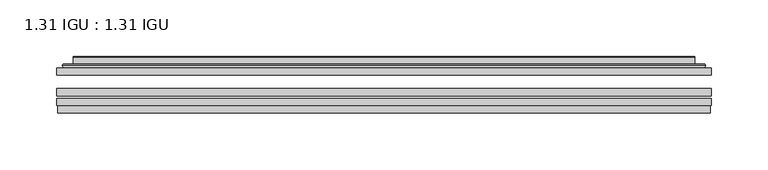
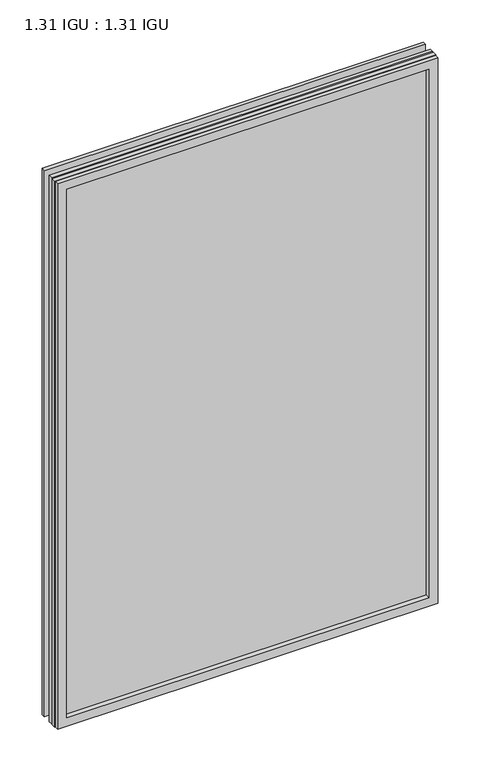
"""IFC4 building model written with IfcOpenShell, lengths in millimetres: plate geometry, 1.31 IGU : 1.31 IGU."""

from ifc_helpers import new_model, si_unit, frame, origin, place, context, project, spatial, polyline, ellipse_curve, outline, extrude, faceted_brep, source, transform, mapped, element, save
from ifc_brep_helpers import plane_surface, cylinder_surface, advanced_brep


def plate_1_31_igu_1_31_igu_6176f6d8(model_context):
    return source(origin(), model_context, "Body", "SolidModel", [
        extrude(outline(polyline([(287.351675, -63.59525), (287.351675, -69.94525), (-287.3375, -69.94525), (-287.3375, -63.59525), (287.351675, -63.59525)])), frame((0.0, 0.0, -14.2875), z_axis=(0.0, 0.0, 1.0), x_axis=(1.0, 0.0, 0.0)), (0.0, 0.0, 1.0), 869.9537979),
        extrude(outline(polyline([(-287.3375, -78.58125), (-287.3375, -72.230745), (287.351675, -72.230745), (287.351675, -78.58125), (-287.3375, -78.58125)])), frame((0.0, 0.0, -14.2875), z_axis=(0.0, 0.0, 1.0), x_axis=(1.0, 0.0, 0.0)), (0.0, 0.0, 1.0), 869.9537979),
        extrude(outline(polyline([(287.351675, -45.25645), (287.351675, -51.60645), (-287.3375, -51.60645), (-287.3375, -45.25645), (287.351675, -45.25645)])), frame((0.0, 0.0, -14.2875), z_axis=(0.0, 0.0, 1.0), x_axis=(1.0, 0.0, 0.0)), (0.0, 0.0, 1.0), 869.9537979),
        faceted_brep([(-286.6373142, -84.93125, 854.9623142), (-286.6373142, -78.58125, 854.9623142), (-286.6373142, -78.58125, -13.5873142), (-286.6373142, -84.93125, -13.5873142), (286.6373142, -78.58125, -13.5873142), (286.6373142, -84.93125, -13.5873142), (286.6373142, -78.58125, 854.9623142), (286.6373142, -84.93125, 854.9623142), (-272.1522559, -78.58125, 0.8977441), (272.1522559, -78.58125, 0.8977441), (272.1522559, -78.58125, 840.4772559), (-272.1522559, -78.58125, 840.4772559), (-273.0446902, -84.93125, 841.3696902), (273.0446902, -84.93125, 841.3696902), (273.0446902, -84.93125, 0.0053098), (-273.0446902, -84.93125, 0.0053098)], [[[0, 1, 2, 3]], [[3, 2, 4, 5]], [[5, 4, 6, 7]], [[1, 6, 4, 2], [8, 9, 10, 11]], [[7, 6, 1, 0]], [[3, 5, 7, 0], [12, 13, 14, 15]], [[11, 12, 15, 8]], [[8, 15, 14, 9]], [[9, 14, 13, 10]], [[10, 13, 12, 11]]]),
        advanced_brep(
        [(-280.096219, -45.25645, 848.4212191), (-282.4504244, -43.2667833, 850.7754244), (-282.4504244, -43.2667833, -9.4004244), (-280.096219, -45.25645, -7.046219), (-271.0218939, -41.416413, 839.3468939), (-266.0870621, -45.25645, 834.4120621), (-266.0870621, -45.25645, 6.9629379), (-271.0218939, -41.416413, 2.0281061), (-272.0539217, -36.0191819, 840.3789217), (-272.0539217, -36.0191819, 0.9960783), (-273.0445784, -35.6202069, 841.3695784), (-273.0445784, -35.6202069, 0.0054216), (-273.0445784, -42.08145, 841.3695784), (-273.0445784, -42.08145, 0.0054216), (-281.4486349, -42.08145, 849.7736349), (-281.4486349, -42.08145, -8.3986349), (282.4504244, -43.2667833, -9.4004244), (280.096219, -45.25645, -7.046219), (266.0870621, -45.25645, 6.9629379), (271.0218939, -41.416413, 2.0281061), (272.0539217, -36.0191819, 0.9960783), (273.0445784, -35.6202069, 0.0054216), (273.0445784, -42.08145, 0.0054216), (281.4486349, -42.08145, -8.3986349), (282.4504244, -43.2667833, 850.7754244), (280.096219, -45.25645, 848.4212191), (266.0870621, -45.25645, 834.4120621), (271.0218939, -41.416413, 839.3468939), (272.0539217, -36.0191819, 840.3789217), (273.0445784, -35.6202069, 841.3695784), (273.0445784, -42.08145, 841.3695784), (281.4486349, -42.08145, 849.7736349)],
        [
            (0, 1, ellipse_curve(frame((-280.096219, -42.86885, 848.4212191), z_axis=(-0.7071067811865475, 0.0, -0.7071067811865475), x_axis=(-0.7071067811865474, 0.0, 0.7071067811865476)), 3.3765763, 2.3876)),
            (1, 2),
            (2, 3, ellipse_curve(frame((-280.096219, -42.86885, -7.046219), z_axis=(-0.7071067811865475, 0.0, 0.7071067811865475), x_axis=(0.7071067811865474, 0.0, 0.7071067811865476)), 3.3765763, 2.3876)),
            (3, 0),
            (4, 5),
            (5, 6),
            (6, 7),
            (7, 4),
            (8, 4),
            (7, 9),
            (9, 8),
            (10, 8, ellipse_curve(frame((-272.6776219, -36.1384423, 841.0026219), z_axis=(-0.7071067811865475, 0.0, -0.7071067811865475), x_axis=(-0.7071067811865474, 0.0, 0.7071067811865476)), 0.8980256, 0.635)),
            (9, 11, ellipse_curve(frame((-272.6776219, -36.1384423, 0.3723781), z_axis=(-0.7071067811865475, 0.0, 0.7071067811865475), x_axis=(0.7071067811865474, 0.0, 0.7071067811865476)), 0.8980256, 0.635)),
            (11, 10),
            (12, 10),
            (11, 13),
            (13, 12),
            (1, 14, ellipse_curve(frame((-281.4486349, -43.09745, 849.7736349), z_axis=(-0.7071067811865475, 0.0, -0.7071067811865475), x_axis=(-0.7071067811865474, 0.0, 0.7071067811865476)), 1.436841, 1.016)),
            (14, 15),
            (15, 2, ellipse_curve(frame((-281.4486349, -43.09745, -8.3986349), z_axis=(-0.7071067811865475, 0.0, 0.7071067811865475), x_axis=(0.7071067811865474, 0.0, 0.7071067811865476)), 1.436841, 1.016)),
            (2, 16),
            (16, 17, ellipse_curve(frame((280.096219, -42.86885, -7.046219), z_axis=(-0.7071067811865475, 0.0, -0.7071067811865475), x_axis=(-0.7071067811865476, 0.0, 0.7071067811865474)), 3.3765763, 2.3876)),
            (17, 3),
            (6, 18),
            (18, 19),
            (19, 7),
            (19, 20),
            (20, 9),
            (20, 21, ellipse_curve(frame((272.6776219, -36.1384423, 0.3723781), z_axis=(-0.7071067811865475, 0.0, -0.7071067811865475), x_axis=(-0.7071067811865476, 0.0, 0.7071067811865474)), 0.8980256, 0.635)),
            (21, 11),
            (21, 22),
            (22, 13),
            (15, 23),
            (23, 16, ellipse_curve(frame((281.4486349, -43.09745, -8.3986349), z_axis=(-0.7071067811865475, 0.0, -0.7071067811865475), x_axis=(-0.7071067811865476, 0.0, 0.7071067811865474)), 1.436841, 1.016)),
            (16, 24),
            (24, 25, ellipse_curve(frame((280.096219, -42.86885, 848.4212191), z_axis=(0.7071067811865475, 0.0, -0.7071067811865475), x_axis=(-0.7071067811865474, 0.0, -0.7071067811865476)), 3.3765763, 2.3876)),
            (25, 17),
            (18, 26),
            (26, 27),
            (27, 19),
            (27, 28),
            (28, 20),
            (28, 29, ellipse_curve(frame((272.6776219, -36.1384423, 841.0026219), z_axis=(0.7071067811865475, 0.0, -0.7071067811865475), x_axis=(-0.7071067811865474, 0.0, -0.7071067811865476)), 0.8980256, 0.635)),
            (29, 21),
            (29, 30),
            (30, 22),
            (23, 31),
            (31, 24, ellipse_curve(frame((281.4486349, -43.09745, 849.7736349), z_axis=(0.7071067811865475, 0.0, -0.7071067811865475), x_axis=(-0.7071067811865474, 0.0, -0.7071067811865476)), 1.436841, 1.016)),
            (24, 1),
            (0, 25),
            (5, 26),
            (4, 27),
            (8, 28),
            (10, 29),
            (12, 30),
            (14, 31),
        ],
        [
            cylinder_surface(frame((-280.096219, -42.86885, 873.125), z_axis=(0.0, 0.0, 1.0), x_axis=(-1.0, 0.0, 0.0)), 2.3876),
            plane_surface(frame((-266.0870621, -45.25645, 834.4120621), z_axis=(0.6141233906514794, 0.7892100234124821, 0.0), x_axis=(0.0, 0.0, -1.0))),
            plane_surface(frame((-271.0218939, -41.416413, 839.3468939), z_axis=(0.9822050625507729, 0.18781164793386076, 0.0), x_axis=(0.0, 0.0, -1.0))),
            cylinder_surface(frame((-272.6776219, -36.1384423, 873.125), z_axis=(0.0, 0.0, 1.0), x_axis=(-1.0, 0.0, 0.0)), 0.635),
            plane_surface(frame((-273.0445784, -35.6202069, 841.3695784), z_axis=(-1.0, 0.0, 0.0), x_axis=(0.0, 0.0, -1.0))),
            cylinder_surface(frame((-281.4486349, -43.09745, 873.125), z_axis=(0.0, 0.0, 1.0), x_axis=(-1.0, 0.0, 0.0)), 1.016),
            cylinder_surface(frame((-304.8, -42.86885, -7.046219), z_axis=(-1.0, 0.0, 0.0), x_axis=(0.0, 0.0, -1.0)), 2.3876),
            plane_surface(frame((-266.0870621, -45.25645, 6.9629379), z_axis=(0.0, 0.7892100234124841, 0.6141233906514768), x_axis=(1.0, 0.0, 0.0))),
            plane_surface(frame((-271.0218939, -41.416413, 2.0281061), z_axis=(0.0, 0.18781164793386393, 0.9822050625507723), x_axis=(1.0, 0.0, 0.0))),
            cylinder_surface(frame((-304.8, -36.1384423, 0.3723781), z_axis=(-1.0, 0.0, 0.0), x_axis=(0.0, 0.0, -1.0)), 0.635),
            plane_surface(frame((-273.0445784, -35.6202069, 0.0054216), z_axis=(0.0, 0.0, -1.0), x_axis=(1.0, 0.0, 0.0))),
            cylinder_surface(frame((-304.8, -43.09745, -8.3986349), z_axis=(-1.0, 0.0, 0.0), x_axis=(0.0, 0.0, -1.0)), 1.016),
            cylinder_surface(frame((280.096219, -42.86885, -31.75), z_axis=(0.0, 0.0, -1.0), x_axis=(1.0, 0.0, 0.0)), 2.3876),
            plane_surface(frame((266.0870621, -45.25645, 6.9629379), z_axis=(-0.6141233906514743, 0.7892100234124861, 0.0), x_axis=(0.0, 0.0, 1.0))),
            plane_surface(frame((271.0218939, -41.416413, 2.0281061), z_axis=(-0.9822050625507718, 0.1878116479338671, 0.0), x_axis=(0.0, 0.0, 1.0))),
            cylinder_surface(frame((272.6776219, -36.1384423, -31.75), z_axis=(0.0, 0.0, -1.0), x_axis=(1.0, 0.0, 0.0)), 0.635),
            plane_surface(frame((273.0445784, -35.6202069, 0.0054216), z_axis=(1.0, 0.0, 0.0), x_axis=(0.0, 0.0, 1.0))),
            cylinder_surface(frame((281.4486349, -43.09745, -31.75), z_axis=(0.0, 0.0, -1.0), x_axis=(1.0, 0.0, 0.0)), 1.016),
            cylinder_surface(frame((304.8, -42.86885, 848.4212191), z_axis=(1.0, 0.0, 0.0), x_axis=(0.0, 0.0, 1.0)), 2.3876),
            plane_surface(frame((280.096219, -45.25645, 848.4212191), z_axis=(0.0, -1.0, 0.0), x_axis=(-1.0, 0.0, 0.0))),
            plane_surface(frame((266.0870621, -45.25645, 834.4120621), z_axis=(0.0, 0.7892100234124841, -0.6141233906514768), x_axis=(-1.0, 0.0, 0.0))),
            plane_surface(frame((271.0218939, -41.416413, 839.3468939), z_axis=(0.0, 0.18781164793386393, -0.9822050625507723), x_axis=(-1.0, 0.0, 0.0))),
            cylinder_surface(frame((304.8, -36.1384423, 841.0026219), z_axis=(1.0, 0.0, 0.0), x_axis=(0.0, 0.0, 1.0)), 0.635),
            plane_surface(frame((273.0445784, -35.6202069, 841.3695784), z_axis=(0.0, 0.0, 1.0), x_axis=(-1.0, 0.0, 0.0))),
            plane_surface(frame((273.0445784, -42.08145, 841.3695784), z_axis=(0.0, 1.0, 0.0), x_axis=(-1.0, 0.0, 0.0))),
            cylinder_surface(frame((304.8, -43.09745, 849.7736349), z_axis=(1.0, 0.0, 0.0), x_axis=(0.0, 0.0, 1.0)), 1.016),
        ],
        [
            (0, [[1, 2, 3, 4]]),
            (1, [[5, 6, 7, 8]]),
            (2, [[9, -8, 10, 11]]),
            (3, [[12, -11, 13, 14]]),
            (4, [[15, -14, 16, 17]]),
            (5, [[18, 19, 20, -2]]),
            (6, [[-3, 21, 22, 23]]),
            (7, [[-7, 24, 25, 26]]),
            (8, [[-10, -26, 27, 28]]),
            (9, [[-13, -28, 29, 30]]),
            (10, [[-16, -30, 31, 32]]),
            (11, [[-20, 33, 34, -21]]),
            (12, [[-22, 35, 36, 37]]),
            (13, [[-25, 38, 39, 40]]),
            (14, [[-27, -40, 41, 42]]),
            (15, [[-29, -42, 43, 44]]),
            (16, [[-31, -44, 45, 46]]),
            (17, [[-34, 47, 48, -35]]),
            (18, [[-36, 49, -1, 50]]),
            (19, [[-23, -37, -50, -4], [51, -38, -24, -6]]),
            (20, [[-39, -51, -5, 52]]),
            (21, [[-41, -52, -9, 53]]),
            (22, [[-43, -53, -12, 54]]),
            (23, [[-45, -54, -15, 55]]),
            (24, [[56, -47, -33, -19], [-32, -46, -55, -17]]),
            (25, [[-48, -56, -18, -49]]),
        ],
    ),
    ])


if __name__ == "__main__":
    model = new_model("IFC4")
    model_context = context("Model", 3, world=origin())
    ifc_project = project(units=[si_unit("LENGTHUNIT", "METRE", prefix="MILLI")], contexts=[model_context])
    site = spatial("IfcSite", under=ifc_project)
    building = spatial("IfcBuilding", under=site)
    placement = place(None, origin())
    plate_1_31_igu_1_31_igu_shape = plate_1_31_igu_1_31_igu_6176f6d8(model_context)
    element("IfcPlate", 1, ObjectType="1.31 IGU : 1.31 IGU", at=placement, inside=building, context=model_context, shape_type="MappedRepresentation", body=[
        mapped(plate_1_31_igu_1_31_igu_shape, transform((0.0, 0.0, 0.0), x_axis=(1.0, 0.0, 0.0), y_axis=(0.0, 1.0, 0.0), z_axis=(0.0, 0.0, 1.0))),
    ])
    save(model, "model.ifc")
